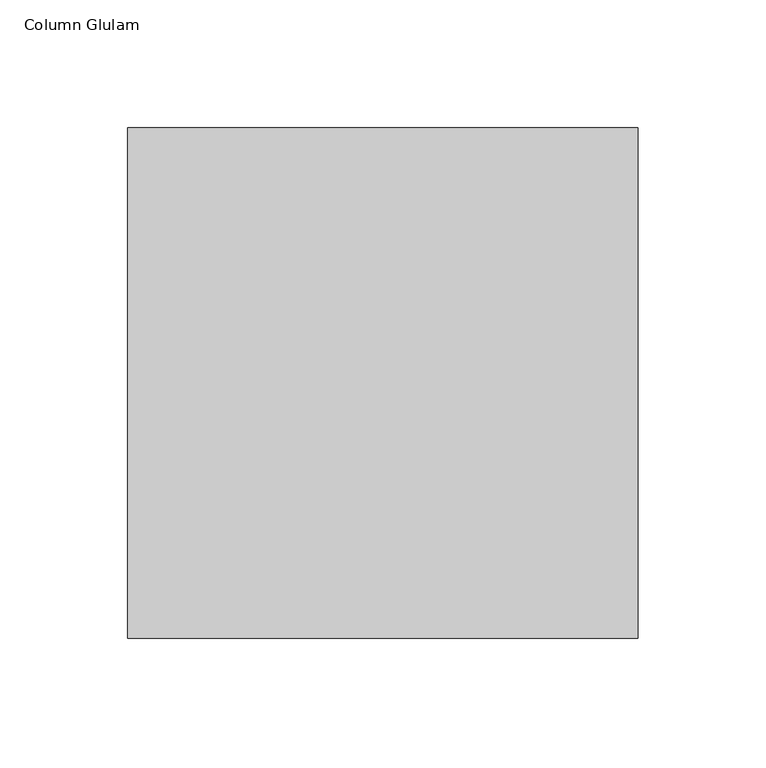
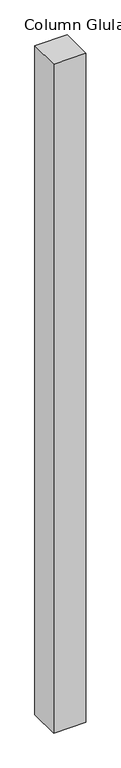
"""IFC4 building model written with IfcOpenShell, lengths in millimetres: column geometry, Column Glulam."""

from ifc_helpers import new_model, si_unit, origin, origin_with_axes, place, context, project, spatial, polyline, outline, extrude, source, transform, mapped, element, save


def column_glulam_518df83a(model_context):
    return source(origin(), model_context, "Body", "SweptSolid", [
        extrude(outline(polyline([(100.0, 100.0), (100.0, -100.0), (-100.0, -100.0), (-100.0, 100.0), (100.0, 100.0)])), origin_with_axes(), (0.0, 0.0, 1.0), 4372.0),
    ])


if __name__ == "__main__":
    model = new_model("IFC4")
    model_context = context("Model", 3, world=origin())
    ifc_project = project(units=[si_unit("LENGTHUNIT", "METRE", prefix="MILLI")], contexts=[model_context])
    site = spatial("IfcSite", under=ifc_project)
    building = spatial("IfcBuilding", under=site)
    placement = place(None, origin())
    column_glulam_shape = column_glulam_518df83a(model_context)
    element("IfcColumn", 1, ObjectType="Column Glulam", at=placement, inside=building, context=model_context, shape_type="MappedRepresentation", body=[
        mapped(column_glulam_shape, transform((0.0, 0.0, 0.0), x_axis=(1.0, 0.0, 0.0), y_axis=(0.0, 1.0, 0.0), z_axis=(0.0, 0.0, 1.0))),
    ])
    save(model, "model.ifc")
